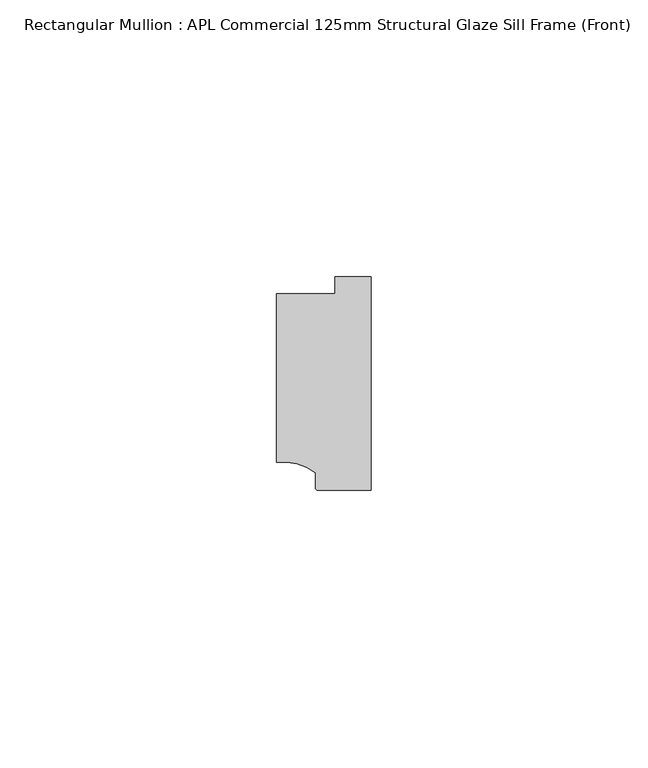
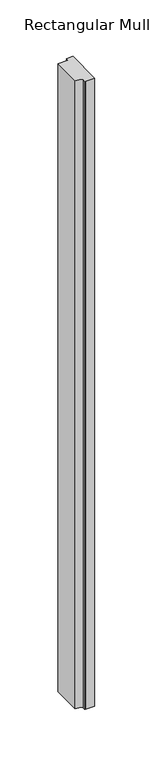
"""IFC4 building model written with IfcOpenShell, lengths in millimetres: member geometry, Rectangular Mullion : APL Commercial 125mm Structural Glaze Sill Frame (Front)."""

import ifcopenshell
import ifcopenshell.guid

model = None  # the IFC model being written
_history = None  # IfcOwnerHistory: only IFC2X3 demands one
_inside = {}  # id of a spatial element -> (the spatial element, [elements in it])
_under = {}  # id of a project, library or spatial element -> (it, [spatial elements below it])
_declared = {}  # id of a project -> (the project, [libraries it declares])
_typed = {}  # id of a type object -> (the type object, [elements of that type])
_made_of = {}  # id of a material, layer set ... -> (it, [elements and type objects made of it])


def new_model(schema):
    """Start an empty IFC model of exactly this schema.

    Asked for "IFC4X3", IfcOpenShell would pick the latest addendum, in which some entities
    have other attributes; the version numbers below select the first issue.
    IFC2X3 requires an IfcOwnerHistory on every rooted entity: one is made here for all.
    """
    global model, _history
    if schema == "IFC4X3":
        model = ifcopenshell.file(schema_version=(4, 3, 0, 0))
    else:
        model = ifcopenshell.file(schema=schema)
    _inside.clear()
    _under.clear()
    _declared.clear()
    _typed.clear()
    _made_of.clear()
    _history = None
    if model.schema == "IFC2X3":
        org = make("IfcOrganization", Name="unknown")
        user = make(
            "IfcPersonAndOrganization",
            ThePerson=make("IfcPerson", FamilyName="unknown"),
            TheOrganization=org,
        )
        app = make(
            "IfcApplication",
            ApplicationDeveloper=org,
            Version="unknown",
            ApplicationFullName="unknown",
            ApplicationIdentifier="unknown",
        )
        _history = make(
            "IfcOwnerHistory",
            OwningUser=user,
            OwningApplication=app,
            ChangeAction="ADDED",
            CreationDate=0,
        )
    return model


def make(cls, **values):
    """One entity of the class cls with the attributes given. An attribute that is None is left unset."""
    return model.create_entity(
        cls, **{name: value for name, value in values.items() if value is not None}
    )


def rooted(cls, **values):
    """An entity with a GlobalId (a new one), such as an element, a storey or a relation."""
    return make(cls, GlobalId=ifcopenshell.guid.new(), OwnerHistory=_history, **values)


def si_unit(unit_type, name, prefix=None):
    """IfcSIUnit, for example si_unit("LENGTHUNIT", "METRE", prefix="MILLI")."""
    return make("IfcSIUnit", UnitType=unit_type, Prefix=prefix, Name=name)


def assignment(units):
    """IfcUnitAssignment: the units of a project."""
    return None if units is None else make("IfcUnitAssignment", Units=units)


def point(xyz):
    """IfcCartesianPoint."""
    return None if xyz is None else make("IfcCartesianPoint", Coordinates=xyz)


def direction(xyz):
    """IfcDirection."""
    return None if xyz is None else make("IfcDirection", DirectionRatios=xyz)


def frame(location, z_axis=None, x_axis=None):
    """IfcAxis2Placement3D, a coordinate frame: its origin and axes. An axis left out is left unset."""
    return make(
        "IfcAxis2Placement3D",
        Location=point(location),
        Axis=direction(z_axis),
        RefDirection=direction(x_axis),
    )


def frame_2d(location, x_axis=None):
    """IfcAxis2Placement2D, a coordinate frame in the plane: its origin and x axis."""
    return make(
        "IfcAxis2Placement2D", Location=point(location), RefDirection=direction(x_axis)
    )


def origin():
    """The frame at (0, 0, 0) with its axes left unset."""
    return frame((0.0, 0.0, 0.0))


def place(relative_to, where):
    """IfcLocalPlacement: puts the frame where relative to a parent placement (None: the world)."""
    return make(
        "IfcLocalPlacement", PlacementRelTo=relative_to, RelativePlacement=where
    )


def context(
    kind, dimensions, precision=None, world=None, true_north=None, identifier=None
):
    """IfcGeometricRepresentationContext, for example the 3D "Model" context."""
    return make(
        "IfcGeometricRepresentationContext",
        ContextIdentifier=identifier,
        ContextType=kind,
        CoordinateSpaceDimension=dimensions,
        Precision=precision,
        WorldCoordinateSystem=world,
        TrueNorth=true_north,
    )


def project(units=None, contexts=None):
    """IfcProject with its units and contexts."""
    return rooted(
        "IfcProject",
        Name="project",
        RepresentationContexts=contexts,
        UnitsInContext=assignment(units),
    )


def spatial(cls, under=None, at=None, **own):
    """A site, building, storey or space (cls), placed at a placement, below another one or the project."""
    s = rooted(cls, ObjectPlacement=at, **own)
    if under is not None:
        _under.setdefault(under.id(), (under, []))[1].append(s)
    return s


def polyline(points):
    """IfcPolyline through the points."""
    return make("IfcPolyline", Points=[point(p) for p in points])


def circle_curve(where, radius):
    """IfcCircle in the frame where."""
    return make("IfcCircle", Position=where, Radius=radius)


def trimmed(basis, trim1, trim2, sense, master):
    """IfcTrimmedCurve: the piece of a basis curve between two trims."""
    return make(
        "IfcTrimmedCurve",
        BasisCurve=basis,
        Trim1=trim1,
        Trim2=trim2,
        SenseAgreement=sense,
        MasterRepresentation=master,
    )


def segment(curve, same_sense, transition):
    """IfcCompositeCurveSegment."""
    return make(
        "IfcCompositeCurveSegment",
        Transition=transition,
        SameSense=same_sense,
        ParentCurve=curve,
    )


def composite_curve(segments, self_intersect=None):
    """IfcCompositeCurve: segments joined end to end."""
    return make("IfcCompositeCurve", Segments=segments, SelfIntersect=self_intersect)


def outline(outer, holes=None, kind="AREA"):
    """IfcArbitraryClosedProfileDef: a profile drawn as a closed curve; with holes, ...WithVoids."""
    if holes is None:
        return make("IfcArbitraryClosedProfileDef", ProfileType=kind, OuterCurve=outer)
    return make(
        "IfcArbitraryProfileDefWithVoids",
        ProfileType=kind,
        OuterCurve=outer,
        InnerCurves=holes,
    )


def extrude(swept, where, along, depth):
    """IfcExtrudedAreaSolid: the profile swept, set in the frame where, extruded along a direction by depth."""
    return make(
        "IfcExtrudedAreaSolid",
        SweptArea=swept,
        Position=where,
        ExtrudedDirection=direction(along),
        Depth=depth,
    )


def shape(context_of_items, identifier, shape_type, items):
    """IfcShapeRepresentation: the items that make up one representation, for example the "Body"."""
    return make(
        "IfcShapeRepresentation",
        ContextOfItems=context_of_items,
        RepresentationIdentifier=identifier,
        RepresentationType=shape_type,
        Items=items,
    )


def source(mapping_origin, context_of_items, identifier, shape_type, items):
    """IfcRepresentationMap: a shape defined once, which mapped items show again and again."""
    return make(
        "IfcRepresentationMap",
        MappingOrigin=mapping_origin,
        MappedRepresentation=shape(context_of_items, identifier, shape_type, items),
    )


def transform(
    local_origin,
    x_axis=None,
    y_axis=None,
    z_axis=None,
    scale=None,
    scale2=None,
    scale3=None,
    uniform=True,
):
    """IfcCartesianTransformationOperator3D, or its non-uniform kind. x_axis, y_axis, z_axis: its Axis1, 2, 3."""
    if uniform:
        return make(
            "IfcCartesianTransformationOperator3D",
            Axis1=direction(x_axis),
            Axis2=direction(y_axis),
            LocalOrigin=point(local_origin),
            Scale=scale,
            Axis3=direction(z_axis),
        )
    return make(
        "IfcCartesianTransformationOperator3DnonUniform",
        Axis1=direction(x_axis),
        Axis2=direction(y_axis),
        LocalOrigin=point(local_origin),
        Scale=scale,
        Axis3=direction(z_axis),
        Scale2=scale2,
        Scale3=scale3,
    )


def mapped(mapping_source, mapping_target):
    """IfcMappedItem: shows the shape of a source again, moved by a transform."""
    return make(
        "IfcMappedItem", MappingSource=mapping_source, MappingTarget=mapping_target
    )


def made_of(thing, what):
    """Note that an element or type object is made of a material, layer set ...; save() writes the relation."""
    if what is not None:
        _made_of.setdefault(what.id(), (what, []))[1].append(thing)
    return thing


def element(
    cls,
    number,
    at=None,
    inside=None,
    cuts=None,
    type_object=None,
    material=None,
    context=None,
    identifier="Body",
    shape_type=None,
    held_by="IfcProductDefinitionShape",
    body=None,
    shapes=None,
    **own,
):
    """One element of the class cls, such as IfcWall. Its Tag is "e" and its number.

    at: its placement. inside: the storey or other place that contains it. cuts: it is an
    opening in that element (IfcRelVoidsElement). A single representation is given by context,
    identifier, shape_type and body (its items); several are given by shapes. held_by: the class
    of the entity that holds the representations. save() writes the other relations.
    """
    e = rooted(cls, Tag="e%d" % number, ObjectPlacement=at, **own)
    if body is not None:
        shapes = [shape(context, identifier, shape_type, body)]
    if shapes is not None:
        e.Representation = make(held_by, Representations=shapes)
    if inside is not None:
        _inside.setdefault(inside.id(), (inside, []))[1].append(e)
    if cuts is not None:
        rooted(
            "IfcRelVoidsElement", RelatingBuildingElement=cuts, RelatedOpeningElement=e
        )
    if type_object is not None:
        _typed.setdefault(type_object.id(), (type_object, []))[1].append(e)
    return made_of(e, material)


def aggregate(whole, parts):
    """IfcRelAggregates: a whole, such as a stair, and the parts it consists of."""
    return rooted("IfcRelAggregates", RelatingObject=whole, RelatedObjects=parts)


def save(model, path):
    """Write the relations noted so far, then the file.

    IfcRelAggregates (storeys below a building ...), IfcRelContainedInSpatialStructure (elements
    in a storey), IfcRelDefinesByType, IfcRelAssociatesMaterial and IfcRelDeclares: one each for
    every whole, place, type object, material and project.
    """
    for whole, parts in _under.values():
        aggregate(whole, parts)
    for where, things in _inside.values():
        rooted(
            "IfcRelContainedInSpatialStructure",
            RelatedElements=things,
            RelatingStructure=where,
        )
    for kind, things in _typed.values():
        rooted("IfcRelDefinesByType", RelatedObjects=things, RelatingType=kind)
    for what, things in _made_of.values():
        rooted("IfcRelAssociatesMaterial", RelatedObjects=things, RelatingMaterial=what)
    for by, libraries in _declared.values():
        rooted("IfcRelDeclares", RelatingContext=by, RelatedDefinitions=libraries)
    model.write(path)


def rectangular_mullion_apl_commercial_125mm_structural_glaze_03bee598(model_context):
    return source(origin(), model_context, "Body", "SweptSolid", [
        extrude(outline(composite_curve([segment(polyline([(-16.999942, -15.3793144), (-16.999942, 15.0004332), (-6.5000029, 15.0004332), (-6.5000029, 18.0281616), (0.0, 18.0281616), (0.0, -20.49978), (-9.5000029, -20.49978)]), True, "CONTINUOUS"), segment(trimmed(circle_curve(frame_2d((-9.5000029, -19.99978)), 0.5), [point((-9.5000029, -20.49978))], [point((-10.0, -19.9980675))], False, "CARTESIAN"), True, "CONTINUOUS"), segment(polyline([(-10.0, -19.9980675), (-10.0, -17.3120901)]), True, "CONTINUOUS"), segment(trimmed(circle_curve(frame_2d((-16.1098048, -25.7977481)), 10.4563907), [point((-10.0, -17.3120901))], [point((-16.999942, -15.3793144))], True, "CARTESIAN"), True, "CONTINUOUS")], self_intersect=False)), frame((0.0, 0.0, -679.1423286), z_axis=(0.0, 0.0, 1.0), x_axis=(1.0, 0.0, 0.0)), (0.0, 0.0, 1.0), 679.1423286),
    ])


if __name__ == "__main__":
    model = new_model("IFC4")
    model_context = context("Model", 3, world=origin())
    ifc_project = project(units=[si_unit("LENGTHUNIT", "METRE", prefix="MILLI")], contexts=[model_context])
    site = spatial("IfcSite", under=ifc_project)
    building = spatial("IfcBuilding", under=site)
    placement = place(None, origin())
    rectangular_mullion_apl_commercial_125mm_structural_glaze_shape = rectangular_mullion_apl_commercial_125mm_structural_glaze_03bee598(model_context)
    element("IfcMember", 1, ObjectType="Rectangular Mullion : APL Commercial 125mm Structural Glaze Sill Frame (Front)", at=placement, inside=building, context=model_context, shape_type="MappedRepresentation", body=[
        mapped(rectangular_mullion_apl_commercial_125mm_structural_glaze_shape, transform((0.0, 0.0, 0.0), x_axis=(1.0, 0.0, 0.0), y_axis=(0.0, 1.0, 0.0), z_axis=(0.0, 0.0, 1.0))),
    ])
    save(model, "model.ifc")
